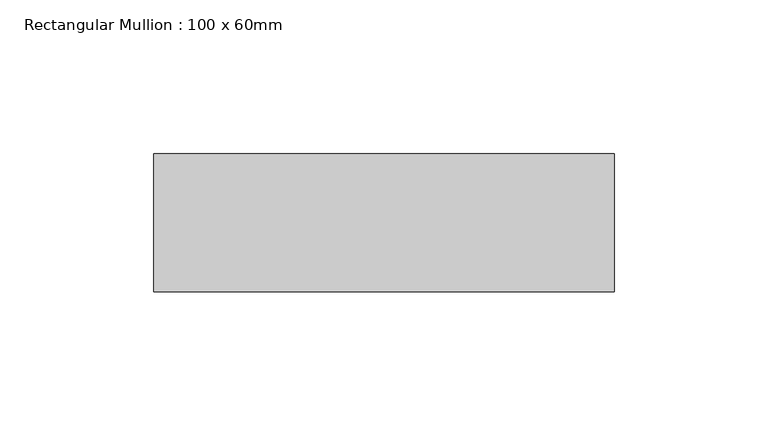
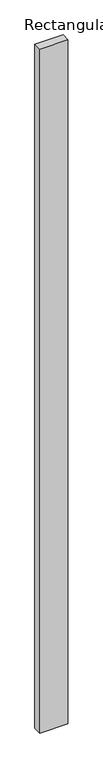
"""IFC4 building model written with IfcOpenShell, lengths in millimetres: member geometry, Rectangular Mullion : 100 x 60mm."""

from ifc_helpers import new_model, si_unit, frame, origin, place, context, project, spatial, polyline, outline, extrude, source, transform, mapped, element, save


def rectangular_mullion_100_x_60mm_bf1f1e58(model_context):
    return source(origin(), model_context, "Body", "SweptSolid", [
        extrude(outline(polyline([(-75.0, -30.0), (-75.0, 15.0), (75.0, 15.0), (75.0, -30.0), (-75.0, -30.0)])), frame((0.0, 0.0, -3850.0), z_axis=(0.0, 0.0, 1.0), x_axis=(1.0, 0.0, 0.0)), (0.0, 0.0, 1.0), 3850.0),
    ])


if __name__ == "__main__":
    model = new_model("IFC4")
    model_context = context("Model", 3, world=origin())
    ifc_project = project(units=[si_unit("LENGTHUNIT", "METRE", prefix="MILLI")], contexts=[model_context])
    site = spatial("IfcSite", under=ifc_project)
    building = spatial("IfcBuilding", under=site)
    placement = place(None, origin())
    rectangular_mullion_100_x_60mm_shape = rectangular_mullion_100_x_60mm_bf1f1e58(model_context)
    element("IfcMember", 1, ObjectType="Rectangular Mullion : 100 x 60mm", at=placement, inside=building, context=model_context, shape_type="MappedRepresentation", body=[
        mapped(rectangular_mullion_100_x_60mm_shape, transform((0.0, 0.0, 0.0), x_axis=(1.0, 0.0, 0.0), y_axis=(0.0, 1.0, 0.0), z_axis=(0.0, 0.0, 1.0))),
    ])
    save(model, "model.ifc")
